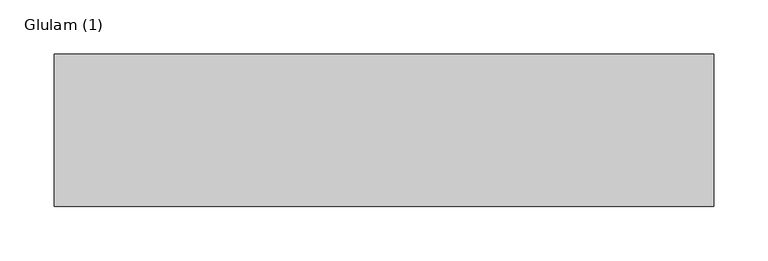
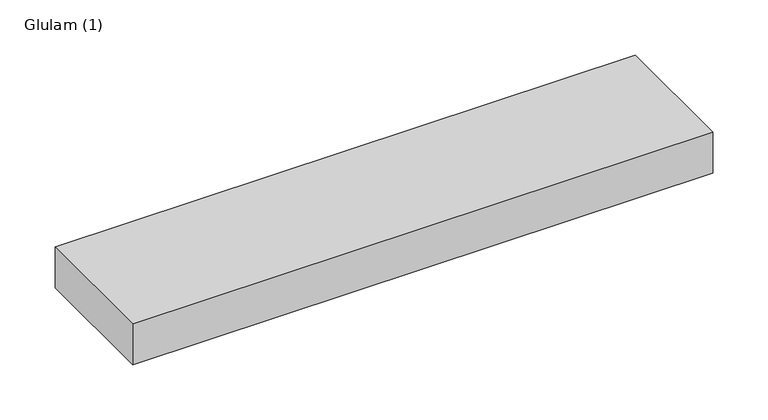
"""IFC4 building model written with IfcOpenShell, lengths in millimetres: beam geometry, Glulam (1)."""

from ifc_helpers import new_model, si_unit, frame, origin, place, context, project, spatial, polyline, outline, extrude, source, transform, mapped, element, save


def glulam_1_3c58d130(model_context):
    return source(origin(), model_context, "Body", "SweptSolid", [
        extrude(outline(polyline([(302.0, 70.0), (302.0, -70.0), (-303.0, -70.0), (-303.0, 70.0), (302.0, 70.0)])), frame((0.0, 0.0, -22.5), z_axis=(0.0, 0.0, 1.0), x_axis=(1.0, 0.0, 0.0)), (0.0, 0.0, 1.0), 45.0),
    ])


if __name__ == "__main__":
    model = new_model("IFC4")
    model_context = context("Model", 3, world=origin())
    ifc_project = project(units=[si_unit("LENGTHUNIT", "METRE", prefix="MILLI")], contexts=[model_context])
    site = spatial("IfcSite", under=ifc_project)
    building = spatial("IfcBuilding", under=site)
    placement = place(None, origin())
    glulam_1_shape = glulam_1_3c58d130(model_context)
    element("IfcBeam", 1, ObjectType="Glulam (1)", at=placement, inside=building, context=model_context, shape_type="MappedRepresentation", body=[
        mapped(glulam_1_shape, transform((0.0, 0.0, 0.0), x_axis=(1.0, 0.0, 0.0), y_axis=(0.0, 1.0, 0.0), z_axis=(0.0, 0.0, 1.0))),
    ])
    save(model, "model.ifc")
